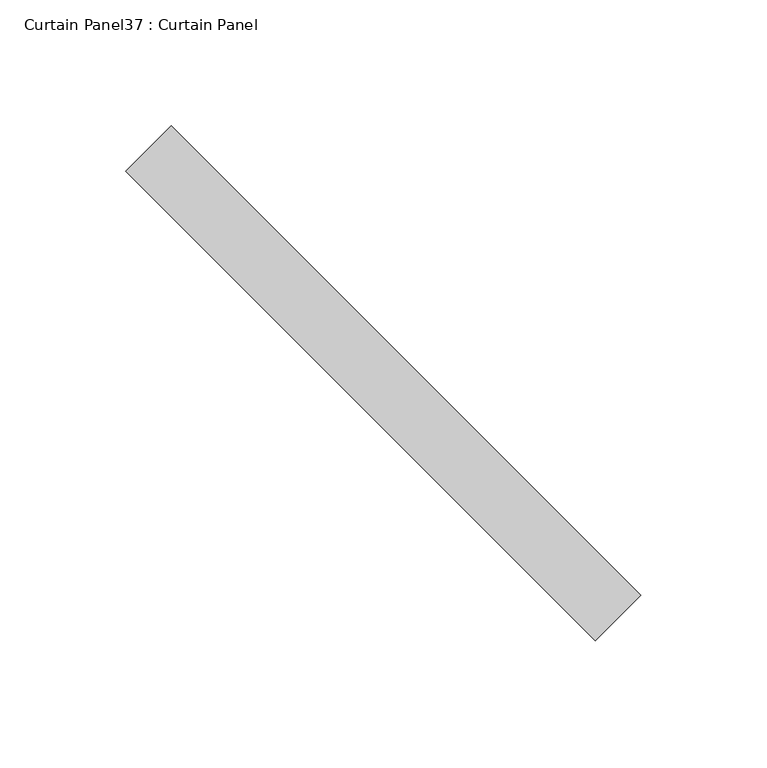
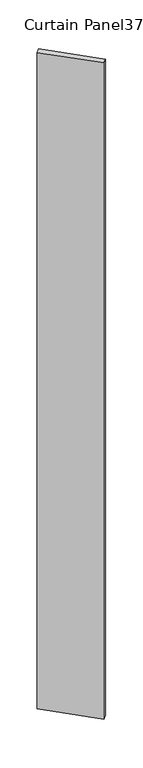
"""IFC4 building model written with IfcOpenShell, lengths in millimetres: plate geometry, Curtain Panel37 : Curtain Panel."""

from ifc_helpers import new_model, si_unit, frame, origin, place, context, project, spatial, polyline, outline, extrude, source, transform, mapped, element, save


def curtain_panel37_curtain_panel_f941220f(model_context):
    return source(origin(), model_context, "Body", "SweptSolid", [
        extrude(outline(polyline([(49341.4950688, 2506.3007772), (49527.8322044, 2319.9636417), (49509.8716921, 2302.0031294), (49323.5345566, 2488.340265), (49341.4950688, 2506.3007772)])), frame((0.0, 0.0, -626.2681873), z_axis=(0.0, 0.0, 1.0), x_axis=(1.0, 0.0, 0.0)), (0.0, 0.0, 1.0), 3048.0),
    ])


if __name__ == "__main__":
    model = new_model("IFC4")
    model_context = context("Model", 3, world=origin())
    ifc_project = project(units=[si_unit("LENGTHUNIT", "METRE", prefix="MILLI")], contexts=[model_context])
    site = spatial("IfcSite", under=ifc_project)
    building = spatial("IfcBuilding", under=site)
    placement = place(None, origin())
    curtain_panel37_curtain_panel_shape = curtain_panel37_curtain_panel_f941220f(model_context)
    element("IfcPlate", 1, ObjectType="Curtain Panel37 : Curtain Panel", at=placement, inside=building, context=model_context, shape_type="MappedRepresentation", body=[
        mapped(curtain_panel37_curtain_panel_shape, transform((0.0, 0.0, 0.0), x_axis=(1.0, 0.0, 0.0), y_axis=(0.0, 1.0, 0.0), z_axis=(0.0, 0.0, 1.0))),
    ])
    save(model, "model.ifc")
